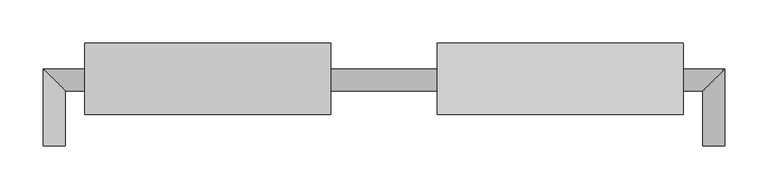
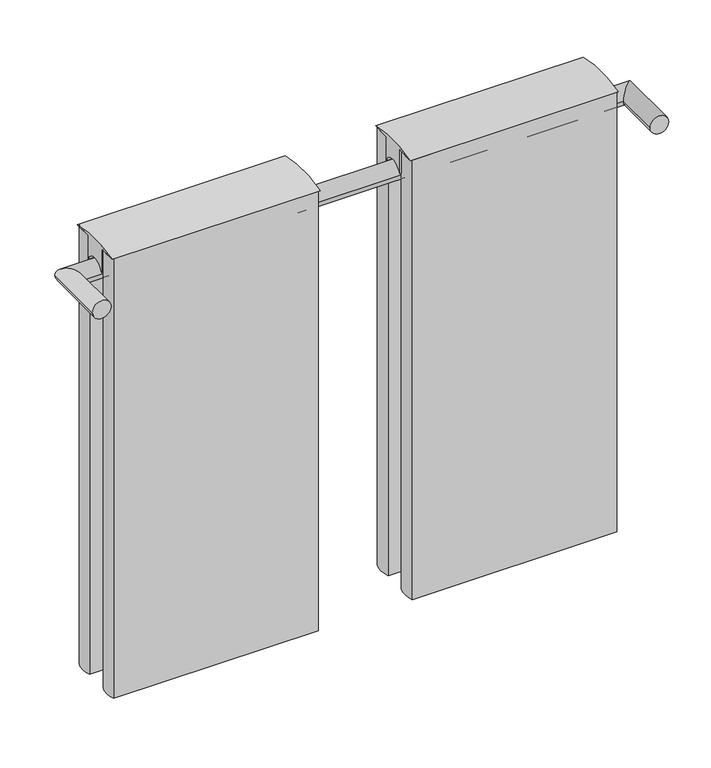
"""IFC4 building model written with IfcOpenShell, lengths in millimetres: furniture geometry."""

from ifc_helpers import new_model, si_unit, point, frame, frame_2d, origin, place, context, project, spatial, polyline, circle_curve, ellipse_curve, trimmed, segment, composite_curve, outline, extrude, source, transform, mapped, element, save
from ifc_brep_helpers import plane_surface, cylinder_surface, advanced_brep


def furniture_e1a45d99(model_context):
    return source(origin(), model_context, "Body", "SolidModel", [
        extrude(outline(composite_curve([segment(polyline([(166.3396933, 1210.0773898), (166.3396933, 1244.6), (140.9396933, 1244.6)]), True, "CONTINUOUS"), segment(trimmed(circle_curve(frame_2d((182.2146933, 1085.8728301)), 164.0059148), [point((140.9396933, 1244.6))], [point((223.4896933, 1244.6))], False, "CARTESIAN"), True, "CONTINUOUS"), segment(polyline([(223.4896933, 1244.6), (198.0896933, 1244.6), (198.0896933, 1210.0773898)]), True, "CONTINUOUS"), segment(trimmed(circle_curve(frame_2d((182.2146933, 1204.9449346)), 16.6840559), [point((198.0896933, 1210.0773898))], [point((166.3396933, 1210.0773898))], True, "CARTESIAN"), True, "CONTINUOUS")], self_intersect=False)), frame((61.6660263, 0.0, 0.0), z_axis=(1.0, 0.0, 0.0), x_axis=(0.0, 1.0, 0.0)), (0.0, 0.0, 1.0), 284.0286059),
        extrude(outline(composite_curve([segment(trimmed(circle_curve(frame_2d((203.7659456, -24352.9674677)), 24494.3055443), [point((343.4659456, 140.9396933))], [point((64.0659456, 140.9396933))], True, "CARTESIAN"), True, "CONTINUOUS"), segment(trimmed(circle_curve(frame_2d((96.4691997, 153.6396933)), 34.8031734), [point((64.0659456, 140.9396933))], [point((64.0659456, 166.3396933))], False, "CARTESIAN"), True, "CONTINUOUS"), segment(trimmed(circle_curve(frame_2d((203.7659456, 24603.0968542)), 24437.156476), [point((64.0659456, 166.3396933))], [point((343.4659456, 166.3396933))], True, "CARTESIAN"), True, "CONTINUOUS"), segment(trimmed(circle_curve(frame_2d((311.0626915, 153.6396933)), 34.8031734), [point((343.4659456, 166.3396933))], [point((343.4659456, 140.9396933))], False, "CARTESIAN"), True, "CONTINUOUS")], self_intersect=False)), frame((0.0, 0.0, 609.6), z_axis=(0.0, 0.0, 1.0), x_axis=(1.0, 0.0, 0.0)), (0.0, 0.0, 1.0), 635.0),
        extrude(outline(composite_curve([segment(trimmed(circle_curve(frame_2d((203.7659456, -24295.8174677)), 24494.3055443), [point((343.4659456, 198.0896933))], [point((64.0659456, 198.0896933))], True, "CARTESIAN"), True, "CONTINUOUS"), segment(trimmed(circle_curve(frame_2d((96.4691997, 210.7896933)), 34.8031734), [point((64.0659456, 198.0896933))], [point((64.0659456, 223.4896933))], False, "CARTESIAN"), True, "CONTINUOUS"), segment(trimmed(circle_curve(frame_2d((203.7659456, 24660.2468542)), 24437.156476), [point((64.0659456, 223.4896933))], [point((343.4659456, 223.4896933))], True, "CARTESIAN"), True, "CONTINUOUS"), segment(trimmed(circle_curve(frame_2d((311.0626915, 210.7896933)), 34.8031734), [point((343.4659456, 223.4896933))], [point((343.4659456, 198.0896933))], False, "CARTESIAN"), True, "CONTINUOUS")], self_intersect=False)), frame((0.0, 0.0, 609.6), z_axis=(0.0, 0.0, 1.0), x_axis=(1.0, 0.0, 0.0)), (0.0, 0.0, 1.0), 635.0),
        extrude(outline(composite_curve([segment(polyline([(166.3396933, 1210.0773898), (166.3396933, 1244.6), (140.9396933, 1244.6)]), True, "CONTINUOUS"), segment(trimmed(circle_curve(frame_2d((182.2146933, 1085.8728301)), 164.0059148), [point((140.9396933, 1244.6))], [point((223.4896933, 1244.6))], False, "CARTESIAN"), True, "CONTINUOUS"), segment(polyline([(223.4896933, 1244.6), (198.0896933, 1244.6), (198.0896933, 1210.0773898)]), True, "CONTINUOUS"), segment(trimmed(circle_curve(frame_2d((182.2146933, 1204.9449346)), 16.6840559), [point((198.0896933, 1210.0773898))], [point((166.3396933, 1210.0773898))], True, "CARTESIAN"), True, "CONTINUOUS")], self_intersect=False)), frame((-345.6946322, 0.0, 0.0), z_axis=(1.0, 0.0, 0.0), x_axis=(0.0, 1.0, 0.0)), (0.0, 0.0, 1.0), 284.0286059),
        extrude(outline(composite_curve([segment(trimmed(circle_curve(frame_2d((-311.0626915, 153.6396933)), 34.8031734), [point((-343.4659456, 140.9396933))], [point((-343.4659456, 166.3396933))], False, "CARTESIAN"), True, "CONTINUOUS"), segment(trimmed(circle_curve(frame_2d((-203.7659456, 24603.0968542)), 24437.156476), [point((-343.4659456, 166.3396933))], [point((-64.0659456, 166.3396933))], True, "CARTESIAN"), True, "CONTINUOUS"), segment(trimmed(circle_curve(frame_2d((-96.4691997, 153.6396933)), 34.8031734), [point((-64.0659456, 166.3396933))], [point((-64.0659456, 140.9396933))], False, "CARTESIAN"), True, "CONTINUOUS"), segment(trimmed(circle_curve(frame_2d((-203.7659456, -24352.9674677)), 24494.3055443), [point((-64.0659456, 140.9396933))], [point((-343.4659456, 140.9396933))], True, "CARTESIAN"), True, "CONTINUOUS")], self_intersect=False)), frame((0.0, 0.0, 609.6), z_axis=(0.0, 0.0, 1.0), x_axis=(1.0, 0.0, 0.0)), (0.0, 0.0, 1.0), 635.0),
        extrude(outline(composite_curve([segment(trimmed(circle_curve(frame_2d((-311.0626915, 210.7896933)), 34.8031734), [point((-343.4659456, 198.0896933))], [point((-343.4659456, 223.4896933))], False, "CARTESIAN"), True, "CONTINUOUS"), segment(trimmed(circle_curve(frame_2d((-203.7659456, 24660.2468542)), 24437.156476), [point((-343.4659456, 223.4896933))], [point((-64.0659456, 223.4896933))], True, "CARTESIAN"), True, "CONTINUOUS"), segment(trimmed(circle_curve(frame_2d((-96.4691997, 210.7896933)), 34.8031734), [point((-64.0659456, 223.4896933))], [point((-64.0659456, 198.0896933))], False, "CARTESIAN"), True, "CONTINUOUS"), segment(trimmed(circle_curve(frame_2d((-203.7659456, -24295.8174677)), 24494.3055443), [point((-64.0659456, 198.0896933))], [point((-343.4659456, 198.0896933))], True, "CARTESIAN"), True, "CONTINUOUS")], self_intersect=False)), frame((0.0, 0.0, 609.6), z_axis=(0.0, 0.0, 1.0), x_axis=(1.0, 0.0, 0.0)), (0.0, 0.0, 1.0), 635.0),
        advanced_brep(
        [(-368.3, 104.775, 1206.5), (-393.7, 104.775, 1206.5), (-368.3, 168.275, 1206.5), (-393.7, 193.675, 1206.5), (368.3, 168.275, 1206.5), (393.7, 193.675, 1206.5), (368.3, 104.775, 1206.5), (393.7, 104.775, 1206.5)],
        [
            (0, 1, circle_curve(frame((-381.0, 104.775, 1206.5), z_axis=(0.0, -1.0, 0.0), x_axis=(-1.0, 0.0, 0.0)), 12.7)),
            (1, 0, circle_curve(frame((-381.0, 104.775, 1206.5), z_axis=(0.0, -1.0, 0.0), x_axis=(-1.0, 0.0, 0.0)), 12.7)),
            (0, 2),
            (2, 3, ellipse_curve(frame((-381.0, 180.975, 1206.5), z_axis=(-0.7071067811865475, -0.7071067811865475, 0.0), x_axis=(0.7071067811865474, -0.7071067811865476, 0.0)), 17.9605122, 12.7)),
            (3, 1),
            (3, 2, ellipse_curve(frame((-381.0, 180.975, 1206.5), z_axis=(-0.7071067811865475, -0.7071067811865475, 0.0), x_axis=(0.7071067811865474, -0.7071067811865476, 0.0)), 17.9605122, 12.7)),
            (2, 4),
            (4, 5, ellipse_curve(frame((381.0, 180.975, 1206.5), z_axis=(-0.7071067811865475, 0.7071067811865475, 0.0), x_axis=(-0.7071067811865476, -0.7071067811865474, 0.0)), 17.9605122, 12.7)),
            (5, 3),
            (5, 4, ellipse_curve(frame((381.0, 180.975, 1206.5), z_axis=(-0.7071067811865475, 0.7071067811865475, 0.0), x_axis=(-0.7071067811865476, -0.7071067811865474, 0.0)), 17.9605122, 12.7)),
            (6, 7, circle_curve(frame((381.0, 104.775, 1206.5), z_axis=(0.0, -1.0, 0.0), x_axis=(1.0, 0.0, 0.0)), 12.7)),
            (7, 6, circle_curve(frame((381.0, 104.775, 1206.5), z_axis=(0.0, -1.0, 0.0), x_axis=(1.0, 0.0, 0.0)), 12.7)),
            (4, 6),
            (7, 5),
        ],
        [
            plane_surface(frame((-381.0, 104.775, 0.0), z_axis=(0.0, -1.0, 0.0), x_axis=(0.0, 0.0, 1.0))),
            cylinder_surface(frame((-381.0, 104.775, 1206.5), z_axis=(0.0, -1.0, 0.0), x_axis=(-1.0, 0.0, 0.0)), 12.7),
            cylinder_surface(frame((-381.0, 180.975, 1206.5), z_axis=(-1.0, 0.0, 0.0), x_axis=(0.0, 1.0, 0.0)), 12.7),
            plane_surface(frame((381.0, 104.775, 0.0), z_axis=(0.0, -1.0, 0.0), x_axis=(0.0, 0.0, 1.0))),
            cylinder_surface(frame((381.0, 180.975, 1206.5), z_axis=(0.0, 1.0, 0.0), x_axis=(1.0, 0.0, 0.0)), 12.7),
        ],
        [
            (0, [[1, 2]]),
            (1, [[-1, 3, 4, 5]]),
            (1, [[-2, -5, 6, -3]]),
            (2, [[-4, 7, 8, 9]]),
            (2, [[-6, -9, 10, -7]]),
            (3, [[11, 12]]),
            (4, [[-8, 13, -12, 14]]),
            (4, [[-10, -14, -11, -13]]),
        ],
    ),
    ])


if __name__ == "__main__":
    model = new_model("IFC4")
    model_context = context("Model", 3, world=origin())
    ifc_project = project(units=[si_unit("LENGTHUNIT", "METRE", prefix="MILLI")], contexts=[model_context])
    site = spatial("IfcSite", under=ifc_project)
    building = spatial("IfcBuilding", under=site)
    placement = place(None, origin())
    furniture_shape = furniture_e1a45d99(model_context)
    element("IfcFurniture", 1, at=placement, inside=building, context=model_context, shape_type="MappedRepresentation", body=[
        mapped(furniture_shape, transform((0.0, 0.0, 0.0), x_axis=(1.0, 0.0, 0.0), y_axis=(0.0, 1.0, 0.0), z_axis=(0.0, 0.0, 1.0))),
    ])
    save(model, "model.ifc")
